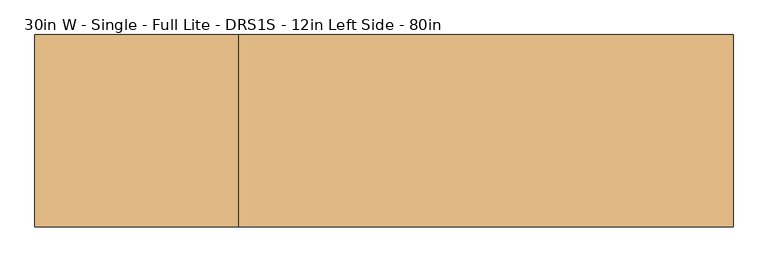
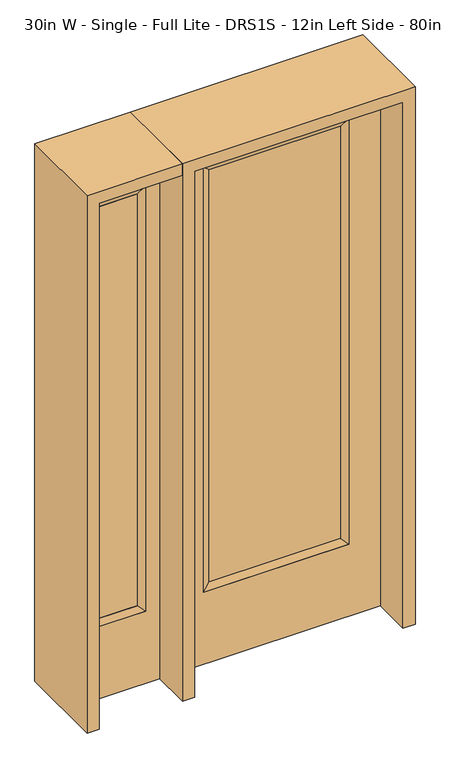
"""IFC4 building model written with IfcOpenShell, lengths in millimetres: door geometry, 30in W - Single - Full Lite - DRS1S - 12in Left Side - 80in."""

from ifc_helpers import new_model, si_unit, frame, origin, place, context, project, spatial, polyline, outline, extrude, faceted_brep, source, transform, mapped, element, save


def door_30in_w_single_full_lite_drs1s_12in_left_side_80in_81884574(model_context):
    return source(origin(), model_context, "Body", "SolidModel", [
        extrude(outline(polyline([(240.1824, -12.7039749), (-240.1824, -12.7039749), (-240.1824, 14.2875), (240.1824, 14.2875), (240.1824, -12.7039749)])), frame((0.0, 0.0, 304.8), z_axis=(0.0, 0.0, 1.0), x_axis=(1.0, 0.0, 0.0)), (0.0, 0.0, 1.0), 1591.1576),
        faceted_brep([(240.1824, 14.2875, 1895.9576), (265.5824, 22.225, 1921.3576), (265.5824, 22.225, 279.4), (240.1824, 14.2875, 304.8), (265.5824, -22.225, 1921.3576), (265.5824, -22.225, 279.4), (-265.5824, 22.225, 279.4), (-240.1824, 14.2875, 304.8), (240.1824, -12.7039749, 1895.9576), (240.1824, -12.7039749, 304.8), (-240.1824, -12.7039749, 304.8), (-265.5824, -22.225, 279.4), (-265.5824, 22.225, 1921.3576), (-240.1824, 14.2875, 1895.9576), (-240.1824, -12.7039749, 1895.9576), (-265.5824, -22.225, 1921.3576)], [[[0, 1, 2, 3]], [[1, 4, 5, 2]], [[3, 2, 6, 7]], [[8, 0, 3, 9]], [[9, 3, 7, 10]], [[4, 8, 9, 5]], [[5, 9, 10, 11]], [[2, 5, 11, 6]], [[7, 6, 12, 13]], [[10, 7, 13, 14]], [[11, 10, 14, 15]], [[6, 11, 15, 12]], [[13, 12, 1, 0]], [[14, 13, 0, 8]], [[15, 14, 8, 4]], [[12, 15, 4, 1]]]),
        extrude(outline(polyline([(0.0, -381.0), (0.0, 381.0), (2032.0, 381.0), (2032.0, -381.0), (0.0, -381.0)]), holes=[polyline([(279.4, -265.5824), (1921.3576, -265.5824), (1921.3576, 265.5824), (279.4, 265.5824), (279.4, -265.5824)])]), frame((0.0, -22.225, 0.0), z_axis=(0.0, 1.0, 0.0), x_axis=(0.0, 0.0, 1.0)), (0.0, 0.0, 1.0), 44.45),
        faceted_brep([(-476.25, 20.6375, 1920.875), (-476.25, -20.6375, 1920.875), (-476.25, -20.6375, 279.4), (-476.25, 20.6375, 279.4), (-501.65, -12.7, 1895.475), (-501.65, -12.7, 304.8), (-679.45, -20.6375, 279.4), (-679.45, 20.6375, 279.4), (-501.65, 12.7, 1895.475), (-501.65, 12.7, 304.8), (-654.05, 12.7, 304.8), (-654.05, -12.7, 304.8), (-679.45, -20.6375, 1920.875), (-679.45, 20.6375, 1920.875), (-654.05, 12.7, 1895.475), (-654.05, -12.7, 1895.475)], [[[0, 1, 2, 3]], [[1, 4, 5, 2]], [[3, 2, 6, 7]], [[8, 0, 3, 9]], [[9, 3, 7, 10]], [[4, 8, 9, 5]], [[5, 9, 10, 11]], [[2, 5, 11, 6]], [[7, 6, 12, 13]], [[10, 7, 13, 14]], [[11, 10, 14, 15]], [[6, 11, 15, 12]], [[13, 12, 1, 0]], [[14, 13, 0, 8]], [[15, 14, 8, 4]], [[12, 15, 4, 1]]]),
        extrude(outline(polyline([(0.0, -730.25), (0.0, -425.45), (2032.0, -425.45), (2032.0, -730.25), (0.0, -730.25)]), holes=[polyline([(1920.875, -476.25), (279.4, -476.25), (279.4, -679.45), (1920.875, -679.45), (1920.875, -476.25)])]), frame((0.0, -20.6375, 0.0), z_axis=(0.0, 1.0, 0.0), x_axis=(0.0, 0.0, 1.0)), (0.0, 0.0, 1.0), 41.275),
        extrude(outline(polyline([(-501.65, -12.7), (-654.05, -12.7), (-654.05, 12.7), (-501.65, 12.7), (-501.65, -12.7)])), frame((0.0, 0.0, 304.8), z_axis=(0.0, 0.0, 1.0), x_axis=(1.0, 0.0, 0.0)), (0.0, 0.0, 1.0), 1590.675),
        extrude(outline(polyline([(2032.0, -425.45), (2076.45, -425.45), (2076.45, -774.7), (0.0, -774.7), (0.0, -730.25), (2032.0, -730.25), (2032.0, -425.45)])), frame((0.0, -165.1, 0.0), z_axis=(0.0, 1.0, 0.0), x_axis=(0.0, 0.0, 1.0)), (0.0, 0.0, 1.0), 330.2),
        extrude(outline(polyline([(2076.45, -425.45), (0.0, -425.45), (0.0, -381.0), (2032.0, -381.0), (2032.0, 381.0), (0.0, 381.0), (0.0, 425.45), (2076.45, 425.45), (2076.45, -425.45)])), frame((0.0, -165.1, 0.0), z_axis=(0.0, 1.0, 0.0), x_axis=(0.0, 0.0, 1.0)), (0.0, 0.0, 1.0), 330.2),
    ])


if __name__ == "__main__":
    model = new_model("IFC4")
    model_context = context("Model", 3, world=origin())
    ifc_project = project(units=[si_unit("LENGTHUNIT", "METRE", prefix="MILLI")], contexts=[model_context])
    site = spatial("IfcSite", under=ifc_project)
    building = spatial("IfcBuilding", under=site)
    placement = place(None, origin())
    door_30in_w_single_full_lite_drs1s_12in_left_side_80in_shape = door_30in_w_single_full_lite_drs1s_12in_left_side_80in_81884574(model_context)
    element("IfcDoor", 1, ObjectType="30in W - Single - Full Lite - DRS1S - 12in Left Side - 80in", at=placement, inside=building, context=model_context, shape_type="MappedRepresentation", body=[
        mapped(door_30in_w_single_full_lite_drs1s_12in_left_side_80in_shape, transform((0.0, 0.0, 0.0), x_axis=(1.0, 0.0, 0.0), y_axis=(0.0, 1.0, 0.0), z_axis=(0.0, 0.0, 1.0))),
    ])
    save(model, "model.ifc")
